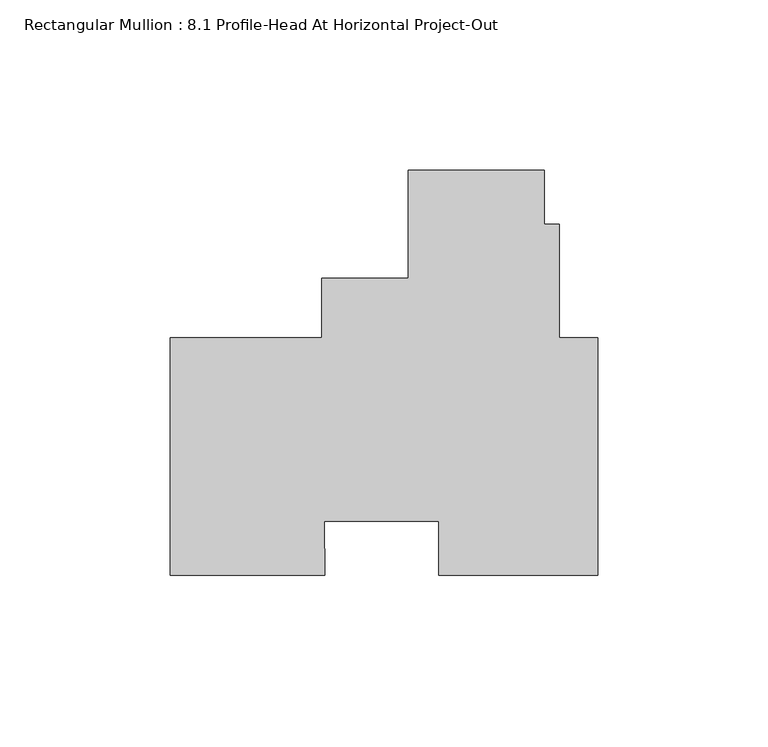
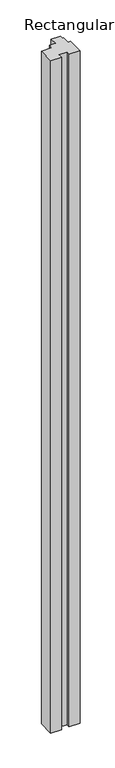
"""IFC4 building model written with IfcOpenShell, lengths in millimetres: member geometry, Rectangular Mullion : 8.1 Profile-Head At Horizontal Project-Out."""

from ifc_helpers import new_model, si_unit, frame, origin, place, context, project, spatial, polyline, outline, extrude, source, transform, mapped, element, save


def rectangular_mullion_8_1_profile_head_at_horizontal_project_5e7233e1(model_context):
    return source(origin(), model_context, "Body", "SweptSolid", [
        extrude(outline(polyline([(-55.740198, 67.47962), (-15.7432204, 67.47962), (-15.7432204, 51.6055295), (-11.2982204, 51.6055295), (-11.2982204, 18.25625), (0.0, 18.25625), (0.0, -51.59375), (-46.8497888, -51.59375), (-46.8497888, -35.71875), (-80.4751121, -35.71875), (-80.2810629, -51.59375), (-125.7808, -51.59375), (-125.7808, 18.25625), (-81.140198, 18.25625), (-81.140198, 35.73145), (-55.740198, 35.73145), (-55.740198, 67.47962)])), frame((0.0, 0.0, -3048.0), z_axis=(0.0, 0.0, 1.0), x_axis=(1.0, 0.0, 0.0)), (0.0, 0.0, 1.0), 3048.0),
    ])


if __name__ == "__main__":
    model = new_model("IFC4")
    model_context = context("Model", 3, world=origin())
    ifc_project = project(units=[si_unit("LENGTHUNIT", "METRE", prefix="MILLI")], contexts=[model_context])
    site = spatial("IfcSite", under=ifc_project)
    building = spatial("IfcBuilding", under=site)
    placement = place(None, origin())
    rectangular_mullion_8_1_profile_head_at_horizontal_project_shape = rectangular_mullion_8_1_profile_head_at_horizontal_project_5e7233e1(model_context)
    element("IfcMember", 1, ObjectType="Rectangular Mullion : 8.1 Profile-Head At Horizontal Project-Out", at=placement, inside=building, context=model_context, shape_type="MappedRepresentation", body=[
        mapped(rectangular_mullion_8_1_profile_head_at_horizontal_project_shape, transform((0.0, 0.0, 0.0), x_axis=(1.0, 0.0, 0.0), y_axis=(0.0, 1.0, 0.0), z_axis=(0.0, 0.0, 1.0))),
    ])
    save(model, "model.ifc")
